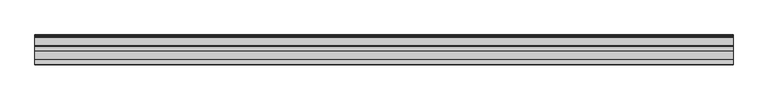
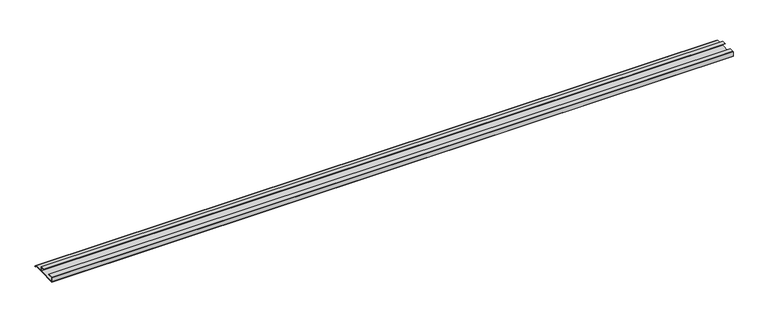
"""IFC4 building model written with IfcOpenShell, lengths in millimetres: furniture geometry."""

from ifc_helpers import new_model, si_unit, frame, origin, place, context, project, spatial, polyline, outline, extrude, source, transform, mapped, element, save


def furniture_b15f08ca(model_context):
    return source(origin(), model_context, "Body", "SweptSolid", [
        extrude(outline(polyline([(-16.1532518, 511.9901998), (-16.9376349, 511.5718742), (-18.5259585, 513.2424489), (-20.7474799, 513.857782), (-21.763438, 515.8897074), (-45.0034802, 515.8897074), (-92.6265287, 513.857782), (-93.3884975, 514.6197508), (-93.3884975, 527.05), (-92.5947475, 527.84375), (-80.6890189, 527.84375), (-80.6890189, 527.05), (-92.6265287, 527.05), (-92.6265287, 514.6197631), (-45.0034802, 516.6834574), (-45.0034802, 527.05), (-56.9409919, 527.05), (-56.9409919, 527.84375), (-45.0352673, 527.84375), (-44.2415173, 527.05), (-44.2415173, 516.6834574), (-21.763438, 516.6834574), (-20.7474799, 514.8737447), (-18.0685872, 514.0047207), (-16.1532518, 511.9901998)])), frame((-886.5464592, 0.0, 0.0), z_axis=(1.0, 0.0, 0.0), x_axis=(0.0, 1.0, 0.0)), (0.0, 0.0, 1.0), 1812.036),
    ])


if __name__ == "__main__":
    model = new_model("IFC4")
    model_context = context("Model", 3, world=origin())
    ifc_project = project(units=[si_unit("LENGTHUNIT", "METRE", prefix="MILLI")], contexts=[model_context])
    site = spatial("IfcSite", under=ifc_project)
    building = spatial("IfcBuilding", under=site)
    placement = place(None, origin())
    furniture_shape = furniture_b15f08ca(model_context)
    element("IfcFurniture", 1, at=placement, inside=building, context=model_context, shape_type="MappedRepresentation", body=[
        mapped(furniture_shape, transform((0.0, 0.0, 0.0), x_axis=(1.0, 0.0, 0.0), y_axis=(0.0, 1.0, 0.0), z_axis=(0.0, 0.0, 1.0))),
    ])
    save(model, "model.ifc")
